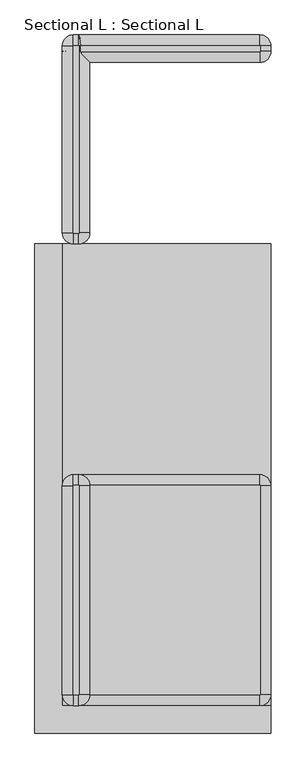
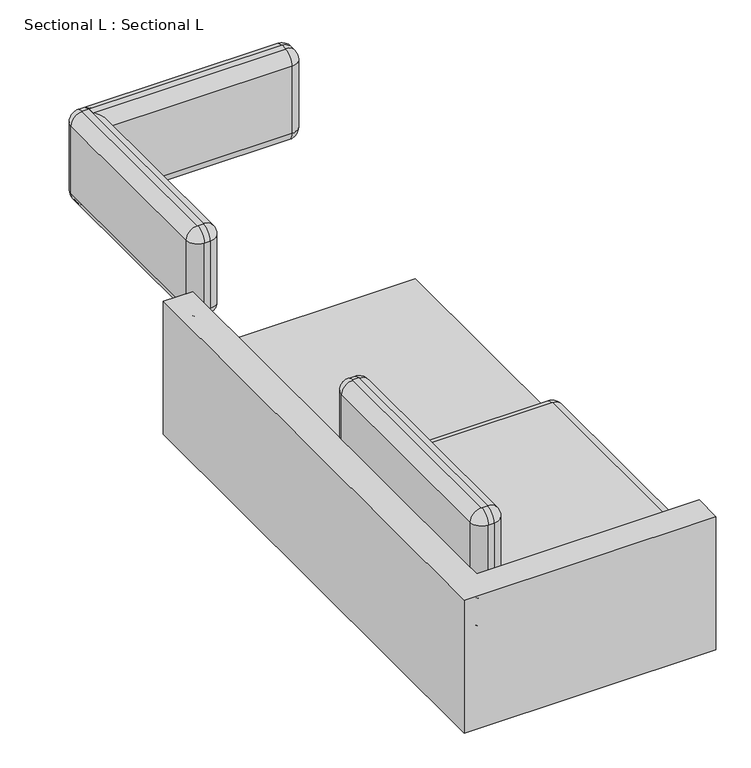
"""IFC4 building model written with IfcOpenShell, lengths in millimetres: furniture geometry, Sectional L : Sectional L."""

from ifc_helpers import new_model, si_unit, point, frame, origin, place, context, project, spatial, circle_curve, ellipse_curve, trimmed, faceted_brep, source, transform, mapped, element, save
from ifc_brep_helpers import plane_surface, cylinder_surface, revolved_surface, advanced_brep


def sectional_l_sectional_l_8d6d37c8(model_context):
    return source(origin(), model_context, "Body", "SolidModel", [
        advanced_brep(
        [(203.2, -3176.2465319, 889.0), (204.7875, -3174.6590319, 889.0), (204.7875, -2209.629516, 889.0), (203.2, -2208.042016, 889.0), (177.8, -2208.042016, 889.0), (176.2125, -2209.629516, 889.0), (176.2125, -3174.6590319, 889.0), (177.8, -3176.2465319, 889.0), (204.7875, -3174.6590319, 482.6), (203.2, -3176.2465319, 482.6), (177.8, -3176.2465319, 482.6), (176.2125, -3174.6590319, 482.6), (176.2125, -2209.629516, 482.6), (177.8, -2208.042016, 482.6), (203.2, -2208.042016, 482.6), (204.7875, -2209.629516, 482.6), (203.2, -2158.829516, 531.8125), (177.8, -2158.829516, 531.8125), (177.8, -2158.829516, 839.7875), (203.2, -2158.829516, 839.7875), (127.0, -2209.629516, 531.8125), (127.0, -3174.6590319, 531.8125), (127.0, -3174.6590319, 839.7875), (127.0, -2209.629516, 839.7875), (177.8, -3225.4590319, 531.8125), (203.2, -3225.4590319, 531.8125), (203.2, -3225.4590319, 839.7875), (177.8, -3225.4590319, 839.7875), (254.0, -3174.6590319, 531.8125), (254.0, -2209.629516, 531.8125), (254.0, -2209.629516, 839.7875), (254.0, -3174.6590319, 839.7875)],
        [
            (0, 1, circle_curve(frame((203.2, -3174.6590319, 889.0), z_axis=(0.0, 0.0, 1.0), x_axis=(0.0, -1.0, 0.0)), 1.5875)),
            (1, 2),
            (2, 3, circle_curve(frame((203.2, -2209.629516, 889.0), z_axis=(0.0, 0.0, 1.0), x_axis=(1.0, 0.0, 0.0)), 1.5875)),
            (3, 4),
            (4, 5, circle_curve(frame((177.8, -2209.629516, 889.0), z_axis=(0.0, 0.0, 1.0), x_axis=(0.0, 1.0, 0.0)), 1.5875)),
            (5, 6),
            (6, 7, circle_curve(frame((177.8, -3174.6590319, 889.0), z_axis=(0.0, 0.0, 1.0), x_axis=(-1.0, 0.0, 0.0)), 1.5875)),
            (7, 0),
            (8, 9, circle_curve(frame((203.2, -3174.6590319, 482.6), z_axis=(0.0, 0.0, -1.0), x_axis=(0.0, -1.0, 0.0)), 1.5875)),
            (9, 10),
            (10, 11, circle_curve(frame((177.8, -3174.6590319, 482.6), z_axis=(0.0, 0.0, -1.0), x_axis=(-1.0, 0.0, 0.0)), 1.5875)),
            (11, 12),
            (12, 13, circle_curve(frame((177.8, -2209.629516, 482.6), z_axis=(0.0, 0.0, -1.0), x_axis=(0.0, 1.0, 0.0)), 1.5875)),
            (13, 14),
            (14, 15, circle_curve(frame((203.2, -2209.629516, 482.6), z_axis=(0.0, 0.0, -1.0), x_axis=(1.0, 0.0, 0.0)), 1.5875)),
            (15, 8),
            (16, 17),
            (17, 18),
            (18, 19),
            (19, 16),
            (20, 21),
            (21, 22),
            (22, 23),
            (23, 20),
            (24, 25),
            (25, 26),
            (26, 27),
            (27, 24),
            (28, 29),
            (29, 30),
            (30, 31),
            (31, 28),
            (29, 16, circle_curve(frame((203.2, -2209.629516, 531.8125), z_axis=(0.0, 0.0, 1.0), x_axis=(0.0, 1.0, 0.0)), 50.8)),
            (19, 30, circle_curve(frame((203.2, -2209.629516, 839.7875), z_axis=(0.0, 0.0, -1.0), x_axis=(0.0, 1.0, 0.0)), 50.8)),
            (17, 20, circle_curve(frame((177.8, -2209.629516, 531.8125), z_axis=(0.0, 0.0, 1.0), x_axis=(0.0, 1.0, 0.0)), 50.8)),
            (23, 18, circle_curve(frame((177.8, -2209.629516, 839.7875), z_axis=(0.0, 0.0, -1.0), x_axis=(0.0, 1.0, 0.0)), 50.8)),
            (21, 24, circle_curve(frame((177.8, -3174.6590319, 531.8125), z_axis=(0.0, 0.0, 1.0), x_axis=(0.0, 1.0, 0.0)), 50.8)),
            (27, 22, circle_curve(frame((177.8, -3174.6590319, 839.7875), z_axis=(0.0, 0.0, -1.0), x_axis=(0.0, 1.0, 0.0)), 50.8)),
            (25, 28, circle_curve(frame((203.2, -3174.6590319, 531.8125), z_axis=(0.0, 0.0, 1.0), x_axis=(0.0, 1.0, 0.0)), 50.8)),
            (31, 26, circle_curve(frame((203.2, -3174.6590319, 839.7875), z_axis=(0.0, 0.0, -1.0), x_axis=(0.0, 1.0, 0.0)), 50.8)),
            (8, 28, circle_curve(frame((204.7875, -3174.6590319, 531.8125), z_axis=(0.0, -1.0, 0.0), x_axis=(-1.0, 0.0, 0.0)), 49.2125)),
            (25, 9, circle_curve(frame((203.2, -3176.2465319, 531.8125), z_axis=(1.0, 0.0, 0.0), x_axis=(0.0, 1.0, 0.0)), 49.2125)),
            (15, 29, circle_curve(frame((204.7875, -2209.629516, 531.8125), z_axis=(0.0, -1.0, 0.0), x_axis=(-1.0, 0.0, 0.0)), 49.2125)),
            (14, 16, circle_curve(frame((203.2, -2208.042016, 531.8125), z_axis=(1.0, 0.0, 0.0), x_axis=(0.0, -1.0, 0.0)), 49.2125)),
            (13, 17, circle_curve(frame((177.8, -2208.042016, 531.8125), z_axis=(1.0, 0.0, 0.0), x_axis=(0.0, -1.0, 0.0)), 49.2125)),
            (12, 20, circle_curve(frame((176.2125, -2209.629516, 531.8125), z_axis=(0.0, 1.0, 0.0), x_axis=(1.0, 0.0, 0.0)), 49.2125)),
            (11, 21, circle_curve(frame((176.2125, -3174.6590319, 531.8125), z_axis=(0.0, 1.0, 0.0), x_axis=(1.0, 0.0, 0.0)), 49.2125)),
            (10, 24, circle_curve(frame((177.8, -3176.2465319, 531.8125), z_axis=(-1.0, 0.0, 0.0), x_axis=(0.0, 1.0, 0.0)), 49.2125)),
            (31, 1, circle_curve(frame((204.7875, -3174.6590319, 839.7875), z_axis=(0.0, -1.0, 0.0), x_axis=(-1.0, 0.0, 0.0)), 49.2125)),
            (0, 26, circle_curve(frame((203.2, -3176.2465319, 839.7875), z_axis=(1.0, 0.0, 0.0), x_axis=(0.0, 1.0, 0.0)), 49.2125)),
            (30, 2, circle_curve(frame((204.7875, -2209.629516, 839.7875), z_axis=(0.0, -1.0, 0.0), x_axis=(-1.0, 0.0, 0.0)), 49.2125)),
            (19, 3, circle_curve(frame((203.2, -2208.042016, 839.7875), z_axis=(1.0, 0.0, 0.0), x_axis=(0.0, -1.0, 0.0)), 49.2125)),
            (18, 4, circle_curve(frame((177.8, -2208.042016, 839.7875), z_axis=(1.0, 0.0, 0.0), x_axis=(0.0, -1.0, 0.0)), 49.2125)),
            (23, 5, circle_curve(frame((176.2125, -2209.629516, 839.7875), z_axis=(0.0, 1.0, 0.0), x_axis=(1.0, 0.0, 0.0)), 49.2125)),
            (22, 6, circle_curve(frame((176.2125, -3174.6590319, 839.7875), z_axis=(0.0, 1.0, 0.0), x_axis=(1.0, 0.0, 0.0)), 49.2125)),
            (27, 7, circle_curve(frame((177.8, -3176.2465319, 839.7875), z_axis=(-1.0, 0.0, 0.0), x_axis=(0.0, 1.0, 0.0)), 49.2125)),
        ],
        [
            plane_surface(frame((203.2, -2158.829516, 889.0), z_axis=(0.0, 0.0, 1.0), x_axis=(-1.0, 0.0, 0.0))),
            plane_surface(frame((203.2, -2158.829516, 482.6), z_axis=(0.0, 0.0, -1.0), x_axis=(1.0, 0.0, 0.0))),
            plane_surface(frame((203.2, -2158.829516, 889.0), z_axis=(0.0, 1.0, 0.0), x_axis=(0.0, 0.0, -1.0))),
            plane_surface(frame((127.0, -2209.629516, 889.0), z_axis=(-1.0, 0.0, 0.0), x_axis=(0.0, 0.0, -1.0))),
            plane_surface(frame((177.8, -3225.4590319, 889.0), z_axis=(0.0, -1.0, 0.0), x_axis=(0.0, 0.0, -1.0))),
            plane_surface(frame((254.0, -3174.6590319, 889.0), z_axis=(1.0, 0.0, 0.0), x_axis=(0.0, 0.0, -1.0))),
            cylinder_surface(frame((203.2, -2209.629516, 482.6), z_axis=(0.0, 0.0, 1.0), x_axis=(0.0, 1.0, 0.0)), 50.8),
            cylinder_surface(frame((177.8, -2209.629516, 482.6), z_axis=(0.0, 0.0, 1.0), x_axis=(0.0, 1.0, 0.0)), 50.8),
            cylinder_surface(frame((177.8, -3174.6590319, 482.6), z_axis=(0.0, 0.0, 1.0), x_axis=(0.0, 1.0, 0.0)), 50.8),
            cylinder_surface(frame((203.2, -3174.6590319, 482.6), z_axis=(0.0, 0.0, 1.0), x_axis=(0.0, 1.0, 0.0)), 50.8),
            revolved_surface(trimmed(ellipse_curve(frame((203.2, -3176.2465319, 531.8125), z_axis=(-1.0, 0.0, 0.0), x_axis=(0.0, 1.0, 0.0)), 49.2125, 49.2125), [point((203.2, -3176.2465319, 482.6))], [point((203.2, -3225.4590319, 531.8125))], True, "CARTESIAN"), (203.2, -3174.6590319, 482.6), (0.0, 0.0, 1.0)),
            cylinder_surface(frame((204.7875, -3174.6590319, 531.8125), z_axis=(0.0, 1.0, 0.0), x_axis=(-1.0, 0.0, 0.0)), 49.2125),
            revolved_surface(trimmed(ellipse_curve(frame((204.7875, -2209.629516, 531.8125), z_axis=(0.0, -1.0, 0.0), x_axis=(-1.0, 0.0, 0.0)), 49.2125, 49.2125), [point((204.7875, -2209.629516, 482.6))], [point((254.0, -2209.629516, 531.8125))], True, "CARTESIAN"), (203.2, -2209.629516, 482.6), (0.0, 0.0, 1.0)),
            cylinder_surface(frame((203.2, -2208.042016, 531.8125), z_axis=(-1.0, 0.0, 0.0), x_axis=(0.0, -1.0, 0.0)), 49.2125),
            revolved_surface(trimmed(ellipse_curve(frame((177.8, -2208.042016, 531.8125), z_axis=(1.0, 0.0, 0.0), x_axis=(0.0, -1.0, 0.0)), 49.2125, 49.2125), [point((177.8, -2208.042016, 482.6))], [point((177.8, -2158.829516, 531.8125))], True, "CARTESIAN"), (177.8, -2209.629516, 482.6), (0.0, 0.0, 1.0)),
            cylinder_surface(frame((176.2125, -2209.629516, 531.8125), z_axis=(0.0, -1.0, 0.0), x_axis=(1.0, 0.0, 0.0)), 49.2125),
            revolved_surface(trimmed(ellipse_curve(frame((176.2125, -3174.6590319, 531.8125), z_axis=(0.0, 1.0, 0.0), x_axis=(1.0, 0.0, 0.0)), 49.2125, 49.2125), [point((176.2125, -3174.6590319, 482.6))], [point((127.0, -3174.6590319, 531.8125))], True, "CARTESIAN"), (177.8, -3174.6590319, 482.6), (0.0, 0.0, 1.0)),
            cylinder_surface(frame((177.8, -3176.2465319, 531.8125), z_axis=(1.0, 0.0, 0.0), x_axis=(0.0, 1.0, 0.0)), 49.2125),
            revolved_surface(trimmed(ellipse_curve(frame((203.2, -3176.2465319, 839.7875), z_axis=(-1.0, 0.0, 0.0), x_axis=(0.0, 1.0, 0.0)), 49.2125, 49.2125), [point((203.2, -3225.4590319, 839.7875))], [point((203.2, -3176.2465319, 889.0))], True, "CARTESIAN"), (203.2, -3174.6590319, 889.0), (0.0, 0.0, 1.0)),
            cylinder_surface(frame((204.7875, -3174.6590319, 839.7875), z_axis=(0.0, 1.0, 0.0), x_axis=(-1.0, 0.0, 0.0)), 49.2125),
            revolved_surface(trimmed(ellipse_curve(frame((204.7875, -2209.629516, 839.7875), z_axis=(0.0, -1.0, 0.0), x_axis=(-1.0, 0.0, 0.0)), 49.2125, 49.2125), [point((254.0, -2209.629516, 839.7875))], [point((204.7875, -2209.629516, 889.0))], True, "CARTESIAN"), (203.2, -2209.629516, 889.0), (0.0, 0.0, 1.0)),
            cylinder_surface(frame((203.2, -2208.042016, 839.7875), z_axis=(-1.0, 0.0, 0.0), x_axis=(0.0, -1.0, 0.0)), 49.2125),
            revolved_surface(trimmed(ellipse_curve(frame((177.8, -2208.042016, 839.7875), z_axis=(1.0, 0.0, 0.0), x_axis=(0.0, -1.0, 0.0)), 49.2125, 49.2125), [point((177.8, -2158.829516, 839.7875))], [point((177.8, -2208.042016, 889.0))], True, "CARTESIAN"), (177.8, -2209.629516, 889.0), (0.0, 0.0, 1.0)),
            cylinder_surface(frame((176.2125, -2209.629516, 839.7875), z_axis=(0.0, -1.0, 0.0), x_axis=(1.0, 0.0, 0.0)), 49.2125),
            revolved_surface(trimmed(ellipse_curve(frame((176.2125, -3174.6590319, 839.7875), z_axis=(0.0, 1.0, 0.0), x_axis=(1.0, 0.0, 0.0)), 49.2125, 49.2125), [point((127.0, -3174.6590319, 839.7875))], [point((176.2125, -3174.6590319, 889.0))], True, "CARTESIAN"), (177.8, -3174.6590319, 889.0), (0.0, 0.0, 1.0)),
            cylinder_surface(frame((177.8, -3176.2465319, 839.7875), z_axis=(1.0, 0.0, 0.0), x_axis=(0.0, 1.0, 0.0)), 49.2125),
        ],
        [
            (0, [[1, 2, 3, 4, 5, 6, 7, 8]]),
            (1, [[9, 10, 11, 12, 13, 14, 15, 16]]),
            (2, [[17, 18, 19, 20]]),
            (3, [[21, 22, 23, 24]]),
            (4, [[25, 26, 27, 28]]),
            (5, [[29, 30, 31, 32]]),
            (6, [[33, -20, 34, -30]]),
            (7, [[35, -24, 36, -18]]),
            (8, [[37, -28, 38, -22]]),
            (9, [[39, -32, 40, -26]]),
            (10, [[41, -39, 42, -9]]),
            (11, [[-41, -16, 43, -29]]),
            (12, [[-43, -15, 44, -33]]),
            (13, [[-44, -14, 45, -17]]),
            (14, [[-45, -13, 46, -35]]),
            (15, [[-46, -12, 47, -21]]),
            (16, [[-47, -11, 48, -37]]),
            (17, [[-42, -25, -48, -10]]),
            (18, [[49, -1, 50, -40]]),
            (19, [[-49, -31, 51, -2]]),
            (20, [[-51, -34, 52, -3]]),
            (21, [[-52, -19, 53, -4]]),
            (22, [[-53, -36, 54, -5]]),
            (23, [[-54, -23, 55, -6]]),
            (24, [[-55, -38, 56, -7]]),
            (25, [[-50, -8, -56, -27]]),
        ],
    ),
        advanced_brep(
        [(1041.4, -3176.2465319, 482.6), (1042.9875, -3174.6590319, 482.6), (1042.9875, -2209.629516, 482.6), (1041.4, -2208.042016, 482.6), (177.8, -2208.042016, 482.6), (176.2125, -2209.629516, 482.6), (176.2125, -3174.6590319, 482.6), (177.8, -3176.2465319, 482.6), (1042.9875, -3174.6590319, 355.6), (1041.4, -3176.2465319, 355.6), (177.8, -3176.2465319, 355.6), (176.2125, -3174.6590319, 355.6), (176.2125, -2209.629516, 355.6), (177.8, -2208.042016, 355.6), (1041.4, -2208.042016, 355.6), (1042.9875, -2209.629516, 355.6), (1041.4, -2158.829516, 404.8125), (177.8, -2158.829516, 404.8125), (177.8, -2158.829516, 433.3875), (1041.4, -2158.829516, 433.3875), (127.0, -2209.629516, 404.8125), (127.0, -3174.6590319, 404.8125), (127.0, -3174.6590319, 433.3875), (127.0, -2209.629516, 433.3875), (177.8, -3225.4590319, 404.8125), (1041.4, -3225.4590319, 404.8125), (1041.4, -3225.4590319, 433.3875), (177.8, -3225.4590319, 433.3875), (1092.2, -3174.6590319, 404.8125), (1092.2, -2209.629516, 404.8125), (1092.2, -2209.629516, 433.3875), (1092.2, -3174.6590319, 433.3875)],
        [
            (0, 1, circle_curve(frame((1041.4, -3174.6590319, 482.6), z_axis=(0.0, 0.0, 1.0), x_axis=(0.0, -1.0, 0.0)), 1.5875)),
            (1, 2),
            (2, 3, circle_curve(frame((1041.4, -2209.629516, 482.6), z_axis=(0.0, 0.0, 1.0), x_axis=(1.0, 0.0, 0.0)), 1.5875)),
            (3, 4),
            (4, 5, circle_curve(frame((177.8, -2209.629516, 482.6), z_axis=(0.0, 0.0, 1.0), x_axis=(0.0, 1.0, 0.0)), 1.5875)),
            (5, 6),
            (6, 7, circle_curve(frame((177.8, -3174.6590319, 482.6), z_axis=(0.0, 0.0, 1.0), x_axis=(-1.0, 0.0, 0.0)), 1.5875)),
            (7, 0),
            (8, 9, circle_curve(frame((1041.4, -3174.6590319, 355.6), z_axis=(0.0, 0.0, -1.0), x_axis=(0.0, -1.0, 0.0)), 1.5875)),
            (9, 10),
            (10, 11, circle_curve(frame((177.8, -3174.6590319, 355.6), z_axis=(0.0, 0.0, -1.0), x_axis=(-1.0, 0.0, 0.0)), 1.5875)),
            (11, 12),
            (12, 13, circle_curve(frame((177.8, -2209.629516, 355.6), z_axis=(0.0, 0.0, -1.0), x_axis=(0.0, 1.0, 0.0)), 1.5875)),
            (13, 14),
            (14, 15, circle_curve(frame((1041.4, -2209.629516, 355.6), z_axis=(0.0, 0.0, -1.0), x_axis=(1.0, 0.0, 0.0)), 1.5875)),
            (15, 8),
            (16, 17),
            (17, 18),
            (18, 19),
            (19, 16),
            (20, 21),
            (21, 22),
            (22, 23),
            (23, 20),
            (24, 25),
            (25, 26),
            (26, 27),
            (27, 24),
            (28, 29),
            (29, 30),
            (30, 31),
            (31, 28),
            (29, 16, circle_curve(frame((1041.4, -2209.629516, 404.8125), z_axis=(0.0, 0.0, 1.0), x_axis=(0.0, 1.0, 0.0)), 50.8)),
            (19, 30, circle_curve(frame((1041.4, -2209.629516, 433.3875), z_axis=(0.0, 0.0, -1.0), x_axis=(0.0, 1.0, 0.0)), 50.8)),
            (17, 20, circle_curve(frame((177.8, -2209.629516, 404.8125), z_axis=(0.0, 0.0, 1.0), x_axis=(0.0, 1.0, 0.0)), 50.8)),
            (23, 18, circle_curve(frame((177.8, -2209.629516, 433.3875), z_axis=(0.0, 0.0, -1.0), x_axis=(0.0, 1.0, 0.0)), 50.8)),
            (21, 24, circle_curve(frame((177.8, -3174.6590319, 404.8125), z_axis=(0.0, 0.0, 1.0), x_axis=(0.0, 1.0, 0.0)), 50.8)),
            (27, 22, circle_curve(frame((177.8, -3174.6590319, 433.3875), z_axis=(0.0, 0.0, -1.0), x_axis=(0.0, 1.0, 0.0)), 50.8)),
            (25, 28, circle_curve(frame((1041.4, -3174.6590319, 404.8125), z_axis=(0.0, 0.0, 1.0), x_axis=(0.0, 1.0, 0.0)), 50.8)),
            (31, 26, circle_curve(frame((1041.4, -3174.6590319, 433.3875), z_axis=(0.0, 0.0, -1.0), x_axis=(0.0, 1.0, 0.0)), 50.8)),
            (8, 28, circle_curve(frame((1042.9875, -3174.6590319, 404.8125), z_axis=(0.0, -1.0, 0.0), x_axis=(-1.0, 0.0, 0.0)), 49.2125)),
            (25, 9, circle_curve(frame((1041.4, -3176.2465319, 404.8125), z_axis=(1.0, 0.0, 0.0), x_axis=(0.0, 1.0, 0.0)), 49.2125)),
            (15, 29, circle_curve(frame((1042.9875, -2209.629516, 404.8125), z_axis=(0.0, -1.0, 0.0), x_axis=(-1.0, 0.0, 0.0)), 49.2125)),
            (14, 16, circle_curve(frame((1041.4, -2208.042016, 404.8125), z_axis=(1.0, 0.0, 0.0), x_axis=(0.0, -1.0, 0.0)), 49.2125)),
            (13, 17, circle_curve(frame((177.8, -2208.042016, 404.8125), z_axis=(1.0, 0.0, 0.0), x_axis=(0.0, -1.0, 0.0)), 49.2125)),
            (12, 20, circle_curve(frame((176.2125, -2209.629516, 404.8125), z_axis=(0.0, 1.0, 0.0), x_axis=(1.0, 0.0, 0.0)), 49.2125)),
            (11, 21, circle_curve(frame((176.2125, -3174.6590319, 404.8125), z_axis=(0.0, 1.0, 0.0), x_axis=(1.0, 0.0, 0.0)), 49.2125)),
            (10, 24, circle_curve(frame((177.8, -3176.2465319, 404.8125), z_axis=(-1.0, 0.0, 0.0), x_axis=(0.0, 1.0, 0.0)), 49.2125)),
            (31, 1, circle_curve(frame((1042.9875, -3174.6590319, 433.3875), z_axis=(0.0, -1.0, 0.0), x_axis=(-1.0, 0.0, 0.0)), 49.2125)),
            (0, 26, circle_curve(frame((1041.4, -3176.2465319, 433.3875), z_axis=(1.0, 0.0, 0.0), x_axis=(0.0, 1.0, 0.0)), 49.2125)),
            (30, 2, circle_curve(frame((1042.9875, -2209.629516, 433.3875), z_axis=(0.0, -1.0, 0.0), x_axis=(-1.0, 0.0, 0.0)), 49.2125)),
            (19, 3, circle_curve(frame((1041.4, -2208.042016, 433.3875), z_axis=(1.0, 0.0, 0.0), x_axis=(0.0, -1.0, 0.0)), 49.2125)),
            (18, 4, circle_curve(frame((177.8, -2208.042016, 433.3875), z_axis=(1.0, 0.0, 0.0), x_axis=(0.0, -1.0, 0.0)), 49.2125)),
            (23, 5, circle_curve(frame((176.2125, -2209.629516, 433.3875), z_axis=(0.0, 1.0, 0.0), x_axis=(1.0, 0.0, 0.0)), 49.2125)),
            (22, 6, circle_curve(frame((176.2125, -3174.6590319, 433.3875), z_axis=(0.0, 1.0, 0.0), x_axis=(1.0, 0.0, 0.0)), 49.2125)),
            (27, 7, circle_curve(frame((177.8, -3176.2465319, 433.3875), z_axis=(-1.0, 0.0, 0.0), x_axis=(0.0, 1.0, 0.0)), 49.2125)),
        ],
        [
            plane_surface(frame((1041.4, -2158.829516, 482.6), z_axis=(0.0, 0.0, 1.0), x_axis=(-1.0, 0.0, 0.0))),
            plane_surface(frame((1041.4, -2158.829516, 355.6), z_axis=(0.0, 0.0, -1.0), x_axis=(1.0, 0.0, 0.0))),
            plane_surface(frame((1041.4, -2158.829516, 482.6), z_axis=(0.0, 1.0, 0.0), x_axis=(0.0, 0.0, -1.0))),
            plane_surface(frame((127.0, -2209.629516, 482.6), z_axis=(-1.0, 0.0, 0.0), x_axis=(0.0, 0.0, -1.0))),
            plane_surface(frame((177.8, -3225.4590319, 482.6), z_axis=(0.0, -1.0, 0.0), x_axis=(0.0, 0.0, -1.0))),
            plane_surface(frame((1092.2, -3174.6590319, 482.6), z_axis=(1.0, 0.0, 0.0), x_axis=(0.0, 0.0, -1.0))),
            cylinder_surface(frame((1041.4, -2209.629516, 355.6), z_axis=(0.0, 0.0, 1.0), x_axis=(0.0, 1.0, 0.0)), 50.8),
            cylinder_surface(frame((177.8, -2209.629516, 355.6), z_axis=(0.0, 0.0, 1.0), x_axis=(0.0, 1.0, 0.0)), 50.8),
            cylinder_surface(frame((177.8, -3174.6590319, 355.6), z_axis=(0.0, 0.0, 1.0), x_axis=(0.0, 1.0, 0.0)), 50.8),
            cylinder_surface(frame((1041.4, -3174.6590319, 355.6), z_axis=(0.0, 0.0, 1.0), x_axis=(0.0, 1.0, 0.0)), 50.8),
            revolved_surface(trimmed(ellipse_curve(frame((1041.4, -3176.2465319, 404.8125), z_axis=(-1.0, 0.0, 0.0), x_axis=(0.0, 1.0, 0.0)), 49.2125, 49.2125), [point((1041.4, -3176.2465319, 355.6))], [point((1041.4, -3225.4590319, 404.8125))], True, "CARTESIAN"), (1041.4, -3174.6590319, 355.6), (0.0, 0.0, 1.0)),
            cylinder_surface(frame((1042.9875, -3174.6590319, 404.8125), z_axis=(0.0, 1.0, 0.0), x_axis=(-1.0, 0.0, 0.0)), 49.2125),
            revolved_surface(trimmed(ellipse_curve(frame((1042.9875, -2209.629516, 404.8125), z_axis=(0.0, -1.0, 0.0), x_axis=(-1.0, 0.0, 0.0)), 49.2125, 49.2125), [point((1042.9875, -2209.629516, 355.6))], [point((1092.2, -2209.629516, 404.8125))], True, "CARTESIAN"), (1041.4, -2209.629516, 355.6), (0.0, 0.0, 1.0)),
            cylinder_surface(frame((1041.4, -2208.042016, 404.8125), z_axis=(-1.0, 0.0, 0.0), x_axis=(0.0, -1.0, 0.0)), 49.2125),
            revolved_surface(trimmed(ellipse_curve(frame((177.8, -2208.042016, 404.8125), z_axis=(1.0, 0.0, 0.0), x_axis=(0.0, -1.0, 0.0)), 49.2125, 49.2125), [point((177.8, -2208.042016, 355.6))], [point((177.8, -2158.829516, 404.8125))], True, "CARTESIAN"), (177.8, -2209.629516, 355.6), (0.0, 0.0, 1.0)),
            cylinder_surface(frame((176.2125, -2209.629516, 404.8125), z_axis=(0.0, -1.0, 0.0), x_axis=(1.0, 0.0, 0.0)), 49.2125),
            revolved_surface(trimmed(ellipse_curve(frame((176.2125, -3174.6590319, 404.8125), z_axis=(0.0, 1.0, 0.0), x_axis=(1.0, 0.0, 0.0)), 49.2125, 49.2125), [point((176.2125, -3174.6590319, 355.6))], [point((127.0, -3174.6590319, 404.8125))], True, "CARTESIAN"), (177.8, -3174.6590319, 355.6), (0.0, 0.0, 1.0)),
            cylinder_surface(frame((177.8, -3176.2465319, 404.8125), z_axis=(1.0, 0.0, 0.0), x_axis=(0.0, 1.0, 0.0)), 49.2125),
            revolved_surface(trimmed(ellipse_curve(frame((1041.4, -3176.2465319, 433.3875), z_axis=(-1.0, 0.0, 0.0), x_axis=(0.0, 1.0, 0.0)), 49.2125, 49.2125), [point((1041.4, -3225.4590319, 433.3875))], [point((1041.4, -3176.2465319, 482.6))], True, "CARTESIAN"), (1041.4, -3174.6590319, 482.6), (0.0, 0.0, 1.0)),
            cylinder_surface(frame((1042.9875, -3174.6590319, 433.3875), z_axis=(0.0, 1.0, 0.0), x_axis=(-1.0, 0.0, 0.0)), 49.2125),
            revolved_surface(trimmed(ellipse_curve(frame((1042.9875, -2209.629516, 433.3875), z_axis=(0.0, -1.0, 0.0), x_axis=(-1.0, 0.0, 0.0)), 49.2125, 49.2125), [point((1092.2, -2209.629516, 433.3875))], [point((1042.9875, -2209.629516, 482.6))], True, "CARTESIAN"), (1041.4, -2209.629516, 482.6), (0.0, 0.0, 1.0)),
            cylinder_surface(frame((1041.4, -2208.042016, 433.3875), z_axis=(-1.0, 0.0, 0.0), x_axis=(0.0, -1.0, 0.0)), 49.2125),
            revolved_surface(trimmed(ellipse_curve(frame((177.8, -2208.042016, 433.3875), z_axis=(1.0, 0.0, 0.0), x_axis=(0.0, -1.0, 0.0)), 49.2125, 49.2125), [point((177.8, -2158.829516, 433.3875))], [point((177.8, -2208.042016, 482.6))], True, "CARTESIAN"), (177.8, -2209.629516, 482.6), (0.0, 0.0, 1.0)),
            cylinder_surface(frame((176.2125, -2209.629516, 433.3875), z_axis=(0.0, -1.0, 0.0), x_axis=(1.0, 0.0, 0.0)), 49.2125),
            revolved_surface(trimmed(ellipse_curve(frame((176.2125, -3174.6590319, 433.3875), z_axis=(0.0, 1.0, 0.0), x_axis=(1.0, 0.0, 0.0)), 49.2125, 49.2125), [point((127.0, -3174.6590319, 433.3875))], [point((176.2125, -3174.6590319, 482.6))], True, "CARTESIAN"), (177.8, -3174.6590319, 482.6), (0.0, 0.0, 1.0)),
            cylinder_surface(frame((177.8, -3176.2465319, 433.3875), z_axis=(1.0, 0.0, 0.0), x_axis=(0.0, 1.0, 0.0)), 49.2125),
        ],
        [
            (0, [[1, 2, 3, 4, 5, 6, 7, 8]]),
            (1, [[9, 10, 11, 12, 13, 14, 15, 16]]),
            (2, [[17, 18, 19, 20]]),
            (3, [[21, 22, 23, 24]]),
            (4, [[25, 26, 27, 28]]),
            (5, [[29, 30, 31, 32]]),
            (6, [[33, -20, 34, -30]]),
            (7, [[35, -24, 36, -18]]),
            (8, [[37, -28, 38, -22]]),
            (9, [[39, -32, 40, -26]]),
            (10, [[41, -39, 42, -9]]),
            (11, [[-41, -16, 43, -29]]),
            (12, [[-43, -15, 44, -33]]),
            (13, [[-44, -14, 45, -17]]),
            (14, [[-45, -13, 46, -35]]),
            (15, [[-46, -12, 47, -21]]),
            (16, [[-47, -11, 48, -37]]),
            (17, [[-42, -25, -48, -10]]),
            (18, [[49, -1, 50, -40]]),
            (19, [[-49, -31, 51, -2]]),
            (20, [[-51, -34, 52, -3]]),
            (21, [[-52, -19, 53, -4]]),
            (22, [[-53, -36, 54, -5]]),
            (23, [[-54, -23, 55, -6]]),
            (24, [[-55, -38, 56, -7]]),
            (25, [[-50, -8, -56, -27]]),
        ],
    ),
        faceted_brep([(127.0, -1092.2, 635.0), (0.0, -1092.2, 635.0), (0.0, -3352.4590319, 635.0), (1092.2, -3352.4590319, 635.0), (1092.2, -3225.4590319, 635.0), (127.0, -3225.4590319, 635.0), (1092.2, -3352.4590319, 25.4), (0.0, -3352.4590319, 25.4), (0.0, -1092.2, 25.4), (1092.2, -1092.2, 25.4), (127.0, -1092.2, 355.6), (1092.2, -1092.2, 355.6), (127.0, -3225.4590319, 355.6), (1092.2, -3225.4590319, 355.6)], [[[0, 1, 2, 3, 4, 5]], [[6, 7, 8, 9]], [[1, 0, 10, 11, 9, 8]], [[1, 8, 7, 2]], [[0, 5, 12, 10]], [[5, 4, 13, 12]], [[3, 2, 7, 6]], [[4, 3, 6, 9, 11, 13]], [[11, 10, 12, 13]]]),
        advanced_brep(
        [(203.2, -1042.9875, 889.0), (204.7875, -1041.4, 889.0), (204.7875, -177.8, 889.0), (203.2, -176.2125, 889.0), (177.8, -176.2125, 889.0), (176.2125, -177.8, 889.0), (176.2125, -1041.4, 889.0), (177.8, -1042.9875, 889.0), (204.7875, -1041.4, 482.6), (203.2, -1042.9875, 482.6), (177.8, -1042.9875, 482.6), (176.2125, -1041.4, 482.6), (176.2125, -177.8, 482.6), (177.8, -176.2125, 482.6), (203.2, -176.2125, 482.6), (204.7875, -177.8, 482.6), (203.2, -127.0, 531.8125), (177.8, -127.0, 531.8125), (177.8, -127.0, 839.7875), (203.2, -127.0, 839.7875), (127.0, -177.8, 531.8125), (127.0, -1041.4, 531.8125), (127.0, -1041.4, 839.7875), (127.0, -177.8, 839.7875), (177.8, -1092.2, 531.8125), (203.2, -1092.2, 531.8125), (203.2, -1092.2, 839.7875), (177.8, -1092.2, 839.7875), (254.0, -1041.4, 531.8125), (254.0, -177.8, 531.8125), (254.0, -177.8, 839.7875), (254.0, -1041.4, 839.7875)],
        [
            (0, 1, circle_curve(frame((203.2, -1041.4, 889.0), z_axis=(0.0, 0.0, 1.0), x_axis=(0.0, -1.0, 0.0)), 1.5875)),
            (1, 2),
            (2, 3, circle_curve(frame((203.2, -177.8, 889.0), z_axis=(0.0, 0.0, 1.0), x_axis=(1.0, 0.0, 0.0)), 1.5875)),
            (3, 4),
            (4, 5, circle_curve(frame((177.8, -177.8, 889.0), z_axis=(0.0, 0.0, 1.0), x_axis=(0.0, 1.0, 0.0)), 1.5875)),
            (5, 6),
            (6, 7, circle_curve(frame((177.8, -1041.4, 889.0), z_axis=(0.0, 0.0, 1.0), x_axis=(-1.0, 0.0, 0.0)), 1.5875)),
            (7, 0),
            (8, 9, circle_curve(frame((203.2, -1041.4, 482.6), z_axis=(0.0, 0.0, -1.0), x_axis=(0.0, -1.0, 0.0)), 1.5875)),
            (9, 10),
            (10, 11, circle_curve(frame((177.8, -1041.4, 482.6), z_axis=(0.0, 0.0, -1.0), x_axis=(-1.0, 0.0, 0.0)), 1.5875)),
            (11, 12),
            (12, 13, circle_curve(frame((177.8, -177.8, 482.6), z_axis=(0.0, 0.0, -1.0), x_axis=(0.0, 1.0, 0.0)), 1.5875)),
            (13, 14),
            (14, 15, circle_curve(frame((203.2, -177.8, 482.6), z_axis=(0.0, 0.0, -1.0), x_axis=(1.0, 0.0, 0.0)), 1.5875)),
            (15, 8),
            (16, 17),
            (17, 18),
            (18, 19),
            (19, 16),
            (20, 21),
            (21, 22),
            (22, 23),
            (23, 20),
            (24, 25),
            (25, 26),
            (26, 27),
            (27, 24),
            (28, 29),
            (29, 30),
            (30, 31),
            (31, 28),
            (29, 16, circle_curve(frame((203.2, -177.8, 531.8125), z_axis=(0.0, 0.0, 1.0), x_axis=(0.0, 1.0, 0.0)), 50.8)),
            (19, 30, circle_curve(frame((203.2, -177.8, 839.7875), z_axis=(0.0, 0.0, -1.0), x_axis=(0.0, 1.0, 0.0)), 50.8)),
            (17, 20, circle_curve(frame((177.8, -177.8, 531.8125), z_axis=(0.0, 0.0, 1.0), x_axis=(0.0, 1.0, 0.0)), 50.8)),
            (23, 18, circle_curve(frame((177.8, -177.8, 839.7875), z_axis=(0.0, 0.0, -1.0), x_axis=(0.0, 1.0, 0.0)), 50.8)),
            (21, 24, circle_curve(frame((177.8, -1041.4, 531.8125), z_axis=(0.0, 0.0, 1.0), x_axis=(0.0, 1.0, 0.0)), 50.8)),
            (27, 22, circle_curve(frame((177.8, -1041.4, 839.7875), z_axis=(0.0, 0.0, -1.0), x_axis=(0.0, 1.0, 0.0)), 50.8)),
            (25, 28, circle_curve(frame((203.2, -1041.4, 531.8125), z_axis=(0.0, 0.0, 1.0), x_axis=(0.0, 1.0, 0.0)), 50.8)),
            (31, 26, circle_curve(frame((203.2, -1041.4, 839.7875), z_axis=(0.0, 0.0, -1.0), x_axis=(0.0, 1.0, 0.0)), 50.8)),
            (8, 28, circle_curve(frame((204.7875, -1041.4, 531.8125), z_axis=(0.0, -1.0, 0.0), x_axis=(-1.0, 0.0, 0.0)), 49.2125)),
            (25, 9, circle_curve(frame((203.2, -1042.9875, 531.8125), z_axis=(1.0, 0.0, 0.0), x_axis=(0.0, 1.0, 0.0)), 49.2125)),
            (15, 29, circle_curve(frame((204.7875, -177.8, 531.8125), z_axis=(0.0, -1.0, 0.0), x_axis=(-1.0, 0.0, 0.0)), 49.2125)),
            (14, 16, circle_curve(frame((203.2, -176.2125, 531.8125), z_axis=(1.0, 0.0, 0.0), x_axis=(0.0, -1.0, 0.0)), 49.2125)),
            (13, 17, circle_curve(frame((177.8, -176.2125, 531.8125), z_axis=(1.0, 0.0, 0.0), x_axis=(0.0, -1.0, 0.0)), 49.2125)),
            (12, 20, circle_curve(frame((176.2125, -177.8, 531.8125), z_axis=(0.0, 1.0, 0.0), x_axis=(1.0, 0.0, 0.0)), 49.2125)),
            (11, 21, circle_curve(frame((176.2125, -1041.4, 531.8125), z_axis=(0.0, 1.0, 0.0), x_axis=(1.0, 0.0, 0.0)), 49.2125)),
            (10, 24, circle_curve(frame((177.8, -1042.9875, 531.8125), z_axis=(-1.0, 0.0, 0.0), x_axis=(0.0, 1.0, 0.0)), 49.2125)),
            (31, 1, circle_curve(frame((204.7875, -1041.4, 839.7875), z_axis=(0.0, -1.0, 0.0), x_axis=(-1.0, 0.0, 0.0)), 49.2125)),
            (0, 26, circle_curve(frame((203.2, -1042.9875, 839.7875), z_axis=(1.0, 0.0, 0.0), x_axis=(0.0, 1.0, 0.0)), 49.2125)),
            (30, 2, circle_curve(frame((204.7875, -177.8, 839.7875), z_axis=(0.0, -1.0, 0.0), x_axis=(-1.0, 0.0, 0.0)), 49.2125)),
            (19, 3, circle_curve(frame((203.2, -176.2125, 839.7875), z_axis=(1.0, 0.0, 0.0), x_axis=(0.0, -1.0, 0.0)), 49.2125)),
            (18, 4, circle_curve(frame((177.8, -176.2125, 839.7875), z_axis=(1.0, 0.0, 0.0), x_axis=(0.0, -1.0, 0.0)), 49.2125)),
            (23, 5, circle_curve(frame((176.2125, -177.8, 839.7875), z_axis=(0.0, 1.0, 0.0), x_axis=(1.0, 0.0, 0.0)), 49.2125)),
            (22, 6, circle_curve(frame((176.2125, -1041.4, 839.7875), z_axis=(0.0, 1.0, 0.0), x_axis=(1.0, 0.0, 0.0)), 49.2125)),
            (27, 7, circle_curve(frame((177.8, -1042.9875, 839.7875), z_axis=(-1.0, 0.0, 0.0), x_axis=(0.0, 1.0, 0.0)), 49.2125)),
        ],
        [
            plane_surface(frame((203.2, -127.0, 889.0), z_axis=(0.0, 0.0, 1.0), x_axis=(-1.0, 0.0, 0.0))),
            plane_surface(frame((203.2, -127.0, 482.6), z_axis=(0.0, 0.0, -1.0), x_axis=(1.0, 0.0, 0.0))),
            plane_surface(frame((203.2, -127.0, 889.0), z_axis=(0.0, 1.0, 0.0), x_axis=(0.0, 0.0, -1.0))),
            plane_surface(frame((127.0, -177.8, 889.0), z_axis=(-1.0, 0.0, 0.0), x_axis=(0.0, 0.0, -1.0))),
            plane_surface(frame((177.8, -1092.2, 889.0), z_axis=(0.0, -1.0, 0.0), x_axis=(0.0, 0.0, -1.0))),
            plane_surface(frame((254.0, -1041.4, 889.0), z_axis=(1.0, 0.0, 0.0), x_axis=(0.0, 0.0, -1.0))),
            cylinder_surface(frame((203.2, -177.8, 482.6), z_axis=(0.0, 0.0, 1.0), x_axis=(0.0, 1.0, 0.0)), 50.8),
            cylinder_surface(frame((177.8, -177.8, 482.6), z_axis=(0.0, 0.0, 1.0), x_axis=(0.0, 1.0, 0.0)), 50.8),
            cylinder_surface(frame((177.8, -1041.4, 482.6), z_axis=(0.0, 0.0, 1.0), x_axis=(0.0, 1.0, 0.0)), 50.8),
            cylinder_surface(frame((203.2, -1041.4, 482.6), z_axis=(0.0, 0.0, 1.0), x_axis=(0.0, 1.0, 0.0)), 50.8),
            revolved_surface(trimmed(ellipse_curve(frame((203.2, -1042.9875, 531.8125), z_axis=(-1.0, 0.0, 0.0), x_axis=(0.0, 1.0, 0.0)), 49.2125, 49.2125), [point((203.2, -1042.9875, 482.6))], [point((203.2, -1092.2, 531.8125))], True, "CARTESIAN"), (203.2, -1041.4, 482.6), (0.0, 0.0, 1.0)),
            cylinder_surface(frame((204.7875, -1041.4, 531.8125), z_axis=(0.0, 1.0, 0.0), x_axis=(-1.0, 0.0, 0.0)), 49.2125),
            revolved_surface(trimmed(ellipse_curve(frame((204.7875, -177.8, 531.8125), z_axis=(0.0, -1.0, 0.0), x_axis=(-1.0, 0.0, 0.0)), 49.2125, 49.2125), [point((204.7875, -177.8, 482.6))], [point((254.0, -177.8, 531.8125))], True, "CARTESIAN"), (203.2, -177.8, 482.6), (0.0, 0.0, 1.0)),
            cylinder_surface(frame((203.2, -176.2125, 531.8125), z_axis=(-1.0, 0.0, 0.0), x_axis=(0.0, -1.0, 0.0)), 49.2125),
            revolved_surface(trimmed(ellipse_curve(frame((177.8, -176.2125, 531.8125), z_axis=(1.0, 0.0, 0.0), x_axis=(0.0, -1.0, 0.0)), 49.2125, 49.2125), [point((177.8, -176.2125, 482.6))], [point((177.8, -127.0, 531.8125))], True, "CARTESIAN"), (177.8, -177.8, 482.6), (0.0, 0.0, 1.0)),
            cylinder_surface(frame((176.2125, -177.8, 531.8125), z_axis=(0.0, -1.0, 0.0), x_axis=(1.0, 0.0, 0.0)), 49.2125),
            revolved_surface(trimmed(ellipse_curve(frame((176.2125, -1041.4, 531.8125), z_axis=(0.0, 1.0, 0.0), x_axis=(1.0, 0.0, 0.0)), 49.2125, 49.2125), [point((176.2125, -1041.4, 482.6))], [point((127.0, -1041.4, 531.8125))], True, "CARTESIAN"), (177.8, -1041.4, 482.6), (0.0, 0.0, 1.0)),
            cylinder_surface(frame((177.8, -1042.9875, 531.8125), z_axis=(1.0, 0.0, 0.0), x_axis=(0.0, 1.0, 0.0)), 49.2125),
            revolved_surface(trimmed(ellipse_curve(frame((203.2, -1042.9875, 839.7875), z_axis=(-1.0, 0.0, 0.0), x_axis=(0.0, 1.0, 0.0)), 49.2125, 49.2125), [point((203.2, -1092.2, 839.7875))], [point((203.2, -1042.9875, 889.0))], True, "CARTESIAN"), (203.2, -1041.4, 889.0), (0.0, 0.0, 1.0)),
            cylinder_surface(frame((204.7875, -1041.4, 839.7875), z_axis=(0.0, 1.0, 0.0), x_axis=(-1.0, 0.0, 0.0)), 49.2125),
            revolved_surface(trimmed(ellipse_curve(frame((204.7875, -177.8, 839.7875), z_axis=(0.0, -1.0, 0.0), x_axis=(-1.0, 0.0, 0.0)), 49.2125, 49.2125), [point((254.0, -177.8, 839.7875))], [point((204.7875, -177.8, 889.0))], True, "CARTESIAN"), (203.2, -177.8, 889.0), (0.0, 0.0, 1.0)),
            cylinder_surface(frame((203.2, -176.2125, 839.7875), z_axis=(-1.0, 0.0, 0.0), x_axis=(0.0, -1.0, 0.0)), 49.2125),
            revolved_surface(trimmed(ellipse_curve(frame((177.8, -176.2125, 839.7875), z_axis=(1.0, 0.0, 0.0), x_axis=(0.0, -1.0, 0.0)), 49.2125, 49.2125), [point((177.8, -127.0, 839.7875))], [point((177.8, -176.2125, 889.0))], True, "CARTESIAN"), (177.8, -177.8, 889.0), (0.0, 0.0, 1.0)),
            cylinder_surface(frame((176.2125, -177.8, 839.7875), z_axis=(0.0, -1.0, 0.0), x_axis=(1.0, 0.0, 0.0)), 49.2125),
            revolved_surface(trimmed(ellipse_curve(frame((176.2125, -1041.4, 839.7875), z_axis=(0.0, 1.0, 0.0), x_axis=(1.0, 0.0, 0.0)), 49.2125, 49.2125), [point((127.0, -1041.4, 839.7875))], [point((176.2125, -1041.4, 889.0))], True, "CARTESIAN"), (177.8, -1041.4, 889.0), (0.0, 0.0, 1.0)),
            cylinder_surface(frame((177.8, -1042.9875, 839.7875), z_axis=(1.0, 0.0, 0.0), x_axis=(0.0, 1.0, 0.0)), 49.2125),
        ],
        [
            (0, [[1, 2, 3, 4, 5, 6, 7, 8]]),
            (1, [[9, 10, 11, 12, 13, 14, 15, 16]]),
            (2, [[17, 18, 19, 20]]),
            (3, [[21, 22, 23, 24]]),
            (4, [[25, 26, 27, 28]]),
            (5, [[29, 30, 31, 32]]),
            (6, [[33, -20, 34, -30]]),
            (7, [[35, -24, 36, -18]]),
            (8, [[37, -28, 38, -22]]),
            (9, [[39, -32, 40, -26]]),
            (10, [[41, -39, 42, -9]]),
            (11, [[-41, -16, 43, -29]]),
            (12, [[-43, -15, 44, -33]]),
            (13, [[-44, -14, 45, -17]]),
            (14, [[-45, -13, 46, -35]]),
            (15, [[-46, -12, 47, -21]]),
            (16, [[-47, -11, 48, -37]]),
            (17, [[-42, -25, -48, -10]]),
            (18, [[49, -1, 50, -40]]),
            (19, [[-49, -31, 51, -2]]),
            (20, [[-51, -34, 52, -3]]),
            (21, [[-52, -19, 53, -4]]),
            (22, [[-53, -36, 54, -5]]),
            (23, [[-54, -23, 55, -6]]),
            (24, [[-55, -38, 56, -7]]),
            (25, [[-50, -8, -56, -27]]),
        ],
    ),
        advanced_brep(
        [(176.2125, -203.2, 889.0), (177.8, -204.7875, 889.0), (1041.4, -204.7875, 889.0), (1042.9875, -203.2, 889.0), (1042.9875, -177.8, 889.0), (1041.4, -176.2125, 889.0), (177.8, -176.2125, 889.0), (176.2125, -177.8, 889.0), (177.8, -204.7875, 482.6), (176.2125, -203.2, 482.6), (176.2125, -177.8, 482.6), (177.8, -176.2125, 482.6), (1041.4, -176.2125, 482.6), (1042.9875, -177.8, 482.6), (1042.9875, -203.2, 482.6), (1041.4, -204.7875, 482.6), (1092.2, -203.2, 531.8125), (1092.2, -177.8, 531.8125), (1092.2, -177.8, 839.7875), (1092.2, -203.2, 839.7875), (1041.4, -127.0, 531.8125), (177.8, -127.0, 531.8125), (177.8, -127.0, 839.7875), (1041.4, -127.0, 839.7875), (127.0, -177.8, 531.8125), (127.0, -203.2, 531.8125), (127.0, -203.2, 839.7875), (127.0, -177.8, 839.7875), (177.8, -254.0, 531.8125), (1041.4, -254.0, 531.8125), (1041.4, -254.0, 839.7875), (177.8, -254.0, 839.7875)],
        [
            (0, 1, circle_curve(frame((177.8, -203.2, 889.0), z_axis=(0.0, 0.0, 1.0), x_axis=(-1.0, 0.0, 0.0)), 1.5875)),
            (1, 2),
            (2, 3, circle_curve(frame((1041.4, -203.2, 889.0), z_axis=(0.0, 0.0, 1.0), x_axis=(0.0, -1.0, 0.0)), 1.5875)),
            (3, 4),
            (4, 5, circle_curve(frame((1041.4, -177.8, 889.0), z_axis=(0.0, 0.0, 1.0), x_axis=(1.0, 0.0, 0.0)), 1.5875)),
            (5, 6),
            (6, 7, circle_curve(frame((177.8, -177.8, 889.0), z_axis=(0.0, 0.0, 1.0), x_axis=(0.0, 1.0, 0.0)), 1.5875)),
            (7, 0),
            (8, 9, circle_curve(frame((177.8, -203.2, 482.6), z_axis=(0.0, 0.0, -1.0), x_axis=(-1.0, 0.0, 0.0)), 1.5875)),
            (9, 10),
            (10, 11, circle_curve(frame((177.8, -177.8, 482.6), z_axis=(0.0, 0.0, -1.0), x_axis=(0.0, 1.0, 0.0)), 1.5875)),
            (11, 12),
            (12, 13, circle_curve(frame((1041.4, -177.8, 482.6), z_axis=(0.0, 0.0, -1.0), x_axis=(1.0, 0.0, 0.0)), 1.5875)),
            (13, 14),
            (14, 15, circle_curve(frame((1041.4, -203.2, 482.6), z_axis=(0.0, 0.0, -1.0), x_axis=(0.0, -1.0, 0.0)), 1.5875)),
            (15, 8),
            (16, 17),
            (17, 18),
            (18, 19),
            (19, 16),
            (20, 21),
            (21, 22),
            (22, 23),
            (23, 20),
            (24, 25),
            (25, 26),
            (26, 27),
            (27, 24),
            (28, 29),
            (29, 30),
            (30, 31),
            (31, 28),
            (29, 16, circle_curve(frame((1041.4, -203.2, 531.8125), z_axis=(0.0, 0.0, 1.0), x_axis=(1.0, 0.0, 0.0)), 50.8)),
            (19, 30, circle_curve(frame((1041.4, -203.2, 839.7875), z_axis=(0.0, 0.0, -1.0), x_axis=(1.0, 0.0, 0.0)), 50.8)),
            (17, 20, circle_curve(frame((1041.4, -177.8, 531.8125), z_axis=(0.0, 0.0, 1.0), x_axis=(1.0, 0.0, 0.0)), 50.8)),
            (23, 18, circle_curve(frame((1041.4, -177.8, 839.7875), z_axis=(0.0, 0.0, -1.0), x_axis=(1.0, 0.0, 0.0)), 50.8)),
            (21, 24, circle_curve(frame((177.8, -177.8, 531.8125), z_axis=(0.0, 0.0, 1.0), x_axis=(1.0, 0.0, 0.0)), 50.8)),
            (27, 22, circle_curve(frame((177.8, -177.8, 839.7875), z_axis=(0.0, 0.0, -1.0), x_axis=(1.0, 0.0, 0.0)), 50.8)),
            (25, 28, circle_curve(frame((177.8, -203.2, 531.8125), z_axis=(0.0, 0.0, 1.0), x_axis=(1.0, 0.0, 0.0)), 50.8)),
            (31, 26, circle_curve(frame((177.8, -203.2, 839.7875), z_axis=(0.0, 0.0, -1.0), x_axis=(1.0, 0.0, 0.0)), 50.8)),
            (8, 28, circle_curve(frame((177.8, -204.7875, 531.8125), z_axis=(-1.0, 0.0, 0.0), x_axis=(0.0, 1.0, 0.0)), 49.2125)),
            (25, 9, circle_curve(frame((176.2125, -203.2, 531.8125), z_axis=(0.0, -1.0, 0.0), x_axis=(1.0, 0.0, 0.0)), 49.2125)),
            (15, 29, circle_curve(frame((1041.4, -204.7875, 531.8125), z_axis=(-1.0, 0.0, 0.0), x_axis=(0.0, 1.0, 0.0)), 49.2125)),
            (14, 16, circle_curve(frame((1042.9875, -203.2, 531.8125), z_axis=(0.0, -1.0, 0.0), x_axis=(-1.0, 0.0, 0.0)), 49.2125)),
            (13, 17, circle_curve(frame((1042.9875, -177.8, 531.8125), z_axis=(0.0, -1.0, 0.0), x_axis=(-1.0, 0.0, 0.0)), 49.2125)),
            (12, 20, circle_curve(frame((1041.4, -176.2125, 531.8125), z_axis=(1.0, 0.0, 0.0), x_axis=(0.0, -1.0, 0.0)), 49.2125)),
            (11, 21, circle_curve(frame((177.8, -176.2125, 531.8125), z_axis=(1.0, 0.0, 0.0), x_axis=(0.0, -1.0, 0.0)), 49.2125)),
            (10, 24, circle_curve(frame((176.2125, -177.8, 531.8125), z_axis=(0.0, 1.0, 0.0), x_axis=(1.0, 0.0, 0.0)), 49.2125)),
            (31, 1, circle_curve(frame((177.8, -204.7875, 839.7875), z_axis=(-1.0, 0.0, 0.0), x_axis=(0.0, 1.0, 0.0)), 49.2125)),
            (0, 26, circle_curve(frame((176.2125, -203.2, 839.7875), z_axis=(0.0, -1.0, 0.0), x_axis=(1.0, 0.0, 0.0)), 49.2125)),
            (30, 2, circle_curve(frame((1041.4, -204.7875, 839.7875), z_axis=(-1.0, 0.0, 0.0), x_axis=(0.0, 1.0, 0.0)), 49.2125)),
            (19, 3, circle_curve(frame((1042.9875, -203.2, 839.7875), z_axis=(0.0, -1.0, 0.0), x_axis=(-1.0, 0.0, 0.0)), 49.2125)),
            (18, 4, circle_curve(frame((1042.9875, -177.8, 839.7875), z_axis=(0.0, -1.0, 0.0), x_axis=(-1.0, 0.0, 0.0)), 49.2125)),
            (23, 5, circle_curve(frame((1041.4, -176.2125, 839.7875), z_axis=(1.0, 0.0, 0.0), x_axis=(0.0, -1.0, 0.0)), 49.2125)),
            (22, 6, circle_curve(frame((177.8, -176.2125, 839.7875), z_axis=(1.0, 0.0, 0.0), x_axis=(0.0, -1.0, 0.0)), 49.2125)),
            (27, 7, circle_curve(frame((176.2125, -177.8, 839.7875), z_axis=(0.0, 1.0, 0.0), x_axis=(1.0, 0.0, 0.0)), 49.2125)),
        ],
        [
            plane_surface(frame((1092.2, -203.2, 889.0), z_axis=(0.0, 0.0, 1.0), x_axis=(0.0, 1.0, 0.0))),
            plane_surface(frame((1092.2, -203.2, 482.6), z_axis=(0.0, 0.0, -1.0), x_axis=(0.0, -1.0, 0.0))),
            plane_surface(frame((1092.2, -203.2, 889.0), z_axis=(1.0, 0.0, 0.0), x_axis=(0.0, 0.0, -1.0))),
            plane_surface(frame((1041.4, -127.0, 889.0), z_axis=(0.0, 1.0, 0.0), x_axis=(0.0, 0.0, -1.0))),
            plane_surface(frame((127.0, -177.8, 889.0), z_axis=(-1.0, 0.0, 0.0), x_axis=(0.0, 0.0, -1.0))),
            plane_surface(frame((177.8, -254.0, 889.0), z_axis=(0.0, -1.0, 0.0), x_axis=(0.0, 0.0, -1.0))),
            cylinder_surface(frame((1041.4, -203.2, 482.6), z_axis=(0.0, 0.0, 1.0), x_axis=(1.0, 0.0, 0.0)), 50.8),
            cylinder_surface(frame((1041.4, -177.8, 482.6), z_axis=(0.0, 0.0, 1.0), x_axis=(1.0, 0.0, 0.0)), 50.8),
            cylinder_surface(frame((177.8, -177.8, 482.6), z_axis=(0.0, 0.0, 1.0), x_axis=(1.0, 0.0, 0.0)), 50.8),
            cylinder_surface(frame((177.8, -203.2, 482.6), z_axis=(0.0, 0.0, 1.0), x_axis=(1.0, 0.0, 0.0)), 50.8),
            revolved_surface(trimmed(ellipse_curve(frame((176.2125, -203.2, 531.8125), z_axis=(0.0, 1.0, 0.0), x_axis=(1.0, 0.0, 0.0)), 49.2125, 49.2125), [point((176.2125, -203.2, 482.6))], [point((127.0, -203.2, 531.8125))], True, "CARTESIAN"), (177.8, -203.2, 482.6), (0.0, 0.0, 1.0)),
            cylinder_surface(frame((177.8, -204.7875, 531.8125), z_axis=(1.0, 0.0, 0.0), x_axis=(0.0, 1.0, 0.0)), 49.2125),
            revolved_surface(trimmed(ellipse_curve(frame((1041.4, -204.7875, 531.8125), z_axis=(-1.0, 0.0, 0.0), x_axis=(0.0, 1.0, 0.0)), 49.2125, 49.2125), [point((1041.4, -204.7875, 482.6))], [point((1041.4, -254.0, 531.8125))], True, "CARTESIAN"), (1041.4, -203.2, 482.6), (0.0, 0.0, 1.0)),
            cylinder_surface(frame((1042.9875, -203.2, 531.8125), z_axis=(0.0, 1.0, 0.0), x_axis=(-1.0, 0.0, 0.0)), 49.2125),
            revolved_surface(trimmed(ellipse_curve(frame((1042.9875, -177.8, 531.8125), z_axis=(0.0, -1.0, 0.0), x_axis=(-1.0, 0.0, 0.0)), 49.2125, 49.2125), [point((1042.9875, -177.8, 482.6))], [point((1092.2, -177.8, 531.8125))], True, "CARTESIAN"), (1041.4, -177.8, 482.6), (0.0, 0.0, 1.0)),
            cylinder_surface(frame((1041.4, -176.2125, 531.8125), z_axis=(-1.0, 0.0, 0.0), x_axis=(0.0, -1.0, 0.0)), 49.2125),
            revolved_surface(trimmed(ellipse_curve(frame((177.8, -176.2125, 531.8125), z_axis=(1.0, 0.0, 0.0), x_axis=(0.0, -1.0, 0.0)), 49.2125, 49.2125), [point((177.8, -176.2125, 482.6))], [point((177.8, -127.0, 531.8125))], True, "CARTESIAN"), (177.8, -177.8, 482.6), (0.0, 0.0, 1.0)),
            cylinder_surface(frame((176.2125, -177.8, 531.8125), z_axis=(0.0, -1.0, 0.0), x_axis=(1.0, 0.0, 0.0)), 49.2125),
            revolved_surface(trimmed(ellipse_curve(frame((176.2125, -203.2, 839.7875), z_axis=(0.0, 1.0, 0.0), x_axis=(1.0, 0.0, 0.0)), 49.2125, 49.2125), [point((127.0, -203.2, 839.7875))], [point((176.2125, -203.2, 889.0))], True, "CARTESIAN"), (177.8, -203.2, 889.0), (0.0, 0.0, 1.0)),
            cylinder_surface(frame((177.8, -204.7875, 839.7875), z_axis=(1.0, 0.0, 0.0), x_axis=(0.0, 1.0, 0.0)), 49.2125),
            revolved_surface(trimmed(ellipse_curve(frame((1041.4, -204.7875, 839.7875), z_axis=(-1.0, 0.0, 0.0), x_axis=(0.0, 1.0, 0.0)), 49.2125, 49.2125), [point((1041.4, -254.0, 839.7875))], [point((1041.4, -204.7875, 889.0))], True, "CARTESIAN"), (1041.4, -203.2, 889.0), (0.0, 0.0, 1.0)),
            cylinder_surface(frame((1042.9875, -203.2, 839.7875), z_axis=(0.0, 1.0, 0.0), x_axis=(-1.0, 0.0, 0.0)), 49.2125),
            revolved_surface(trimmed(ellipse_curve(frame((1042.9875, -177.8, 839.7875), z_axis=(0.0, -1.0, 0.0), x_axis=(-1.0, 0.0, 0.0)), 49.2125, 49.2125), [point((1092.2, -177.8, 839.7875))], [point((1042.9875, -177.8, 889.0))], True, "CARTESIAN"), (1041.4, -177.8, 889.0), (0.0, 0.0, 1.0)),
            cylinder_surface(frame((1041.4, -176.2125, 839.7875), z_axis=(-1.0, 0.0, 0.0), x_axis=(0.0, -1.0, 0.0)), 49.2125),
            revolved_surface(trimmed(ellipse_curve(frame((177.8, -176.2125, 839.7875), z_axis=(1.0, 0.0, 0.0), x_axis=(0.0, -1.0, 0.0)), 49.2125, 49.2125), [point((177.8, -127.0, 839.7875))], [point((177.8, -176.2125, 889.0))], True, "CARTESIAN"), (177.8, -177.8, 889.0), (0.0, 0.0, 1.0)),
            cylinder_surface(frame((176.2125, -177.8, 839.7875), z_axis=(0.0, -1.0, 0.0), x_axis=(1.0, 0.0, 0.0)), 49.2125),
        ],
        [
            (0, [[1, 2, 3, 4, 5, 6, 7, 8]]),
            (1, [[9, 10, 11, 12, 13, 14, 15, 16]]),
            (2, [[17, 18, 19, 20]]),
            (3, [[21, 22, 23, 24]]),
            (4, [[25, 26, 27, 28]]),
            (5, [[29, 30, 31, 32]]),
            (6, [[33, -20, 34, -30]]),
            (7, [[35, -24, 36, -18]]),
            (8, [[37, -28, 38, -22]]),
            (9, [[39, -32, 40, -26]]),
            (10, [[41, -39, 42, -9]]),
            (11, [[-41, -16, 43, -29]]),
            (12, [[-43, -15, 44, -33]]),
            (13, [[-44, -14, 45, -17]]),
            (14, [[-45, -13, 46, -35]]),
            (15, [[-46, -12, 47, -21]]),
            (16, [[-47, -11, 48, -37]]),
            (17, [[-42, -25, -48, -10]]),
            (18, [[49, -1, 50, -40]]),
            (19, [[-49, -31, 51, -2]]),
            (20, [[-51, -34, 52, -3]]),
            (21, [[-52, -19, 53, -4]]),
            (22, [[-53, -36, 54, -5]]),
            (23, [[-54, -23, 55, -6]]),
            (24, [[-55, -38, 56, -7]]),
            (25, [[-50, -8, -56, -27]]),
        ],
    ),
    ])


if __name__ == "__main__":
    model = new_model("IFC4")
    model_context = context("Model", 3, world=origin())
    ifc_project = project(units=[si_unit("LENGTHUNIT", "METRE", prefix="MILLI")], contexts=[model_context])
    site = spatial("IfcSite", under=ifc_project)
    building = spatial("IfcBuilding", under=site)
    placement = place(None, origin())
    sectional_l_sectional_l_shape = sectional_l_sectional_l_8d6d37c8(model_context)
    element("IfcFurniture", 1, ObjectType="Sectional L : Sectional L", at=placement, inside=building, context=model_context, shape_type="MappedRepresentation", body=[
        mapped(sectional_l_sectional_l_shape, transform((0.0, 0.0, 0.0), x_axis=(1.0, 0.0, 0.0), y_axis=(0.0, 1.0, 0.0), z_axis=(0.0, 0.0, 1.0))),
    ])
    save(model, "model.ifc")
